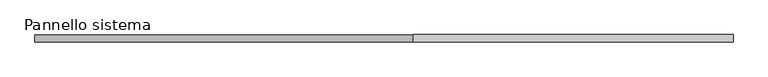
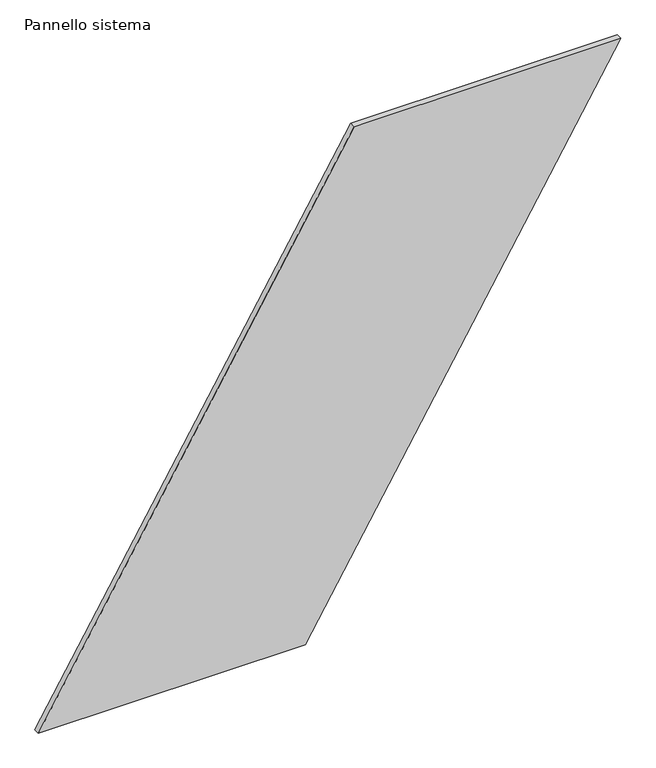
"""IFC4 building model written with IfcOpenShell, lengths in millimetres: plate geometry, Pannello sistema."""

from ifc_helpers import new_model, si_unit, frame, origin, place, context, project, spatial, polyline, outline, extrude, source, transform, mapped, element, save


def pannello_sistema_82de452f(model_context):
    return source(origin(), model_context, "Body", "SweptSolid", [
        extrude(outline(polyline([(0.0, -1184.2610507), (0.0, -99.7915988), (2158.2984589, 1184.2610507), (2158.2984589, 99.7915988), (0.0, -1184.2610507)])), frame((0.0, -12.5, 0.0), z_axis=(0.0, 1.0, 0.0), x_axis=(0.0, 0.0, 1.0)), (0.0, 0.0, 1.0), 25.0),
    ])


if __name__ == "__main__":
    model = new_model("IFC4")
    model_context = context("Model", 3, world=origin())
    ifc_project = project(units=[si_unit("LENGTHUNIT", "METRE", prefix="MILLI")], contexts=[model_context])
    site = spatial("IfcSite", under=ifc_project)
    building = spatial("IfcBuilding", under=site)
    placement = place(None, origin())
    pannello_sistema_shape = pannello_sistema_82de452f(model_context)
    element("IfcPlate", 1, ObjectType="Pannello sistema", at=placement, inside=building, context=model_context, shape_type="MappedRepresentation", body=[
        mapped(pannello_sistema_shape, transform((0.0, 0.0, 0.0), x_axis=(1.0, 0.0, 0.0), y_axis=(0.0, 1.0, 0.0), z_axis=(0.0, 0.0, 1.0))),
    ])
    save(model, "model.ifc")
